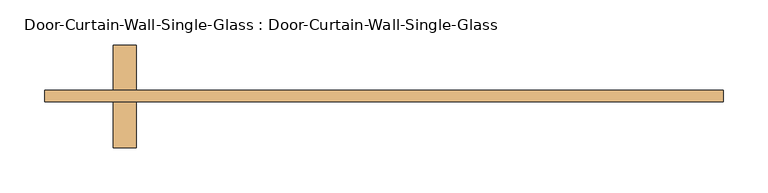
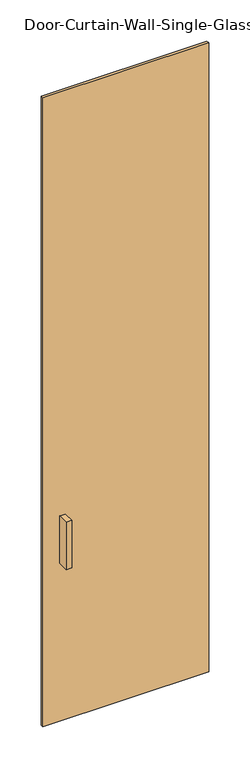
"""IFC4 building model written with IfcOpenShell, lengths in millimetres: door geometry, Door-Curtain-Wall-Single-Glass : Door-Curtain-Wall-Single-Glass."""

from ifc_helpers import new_model, si_unit, frame, origin, origin_with_axes, place, context, project, spatial, polyline, outline, extrude, source, transform, mapped, element, save


def door_curtain_wall_single_glass_door_curtain_wall_single_c8af28fb(model_context):
    return source(origin(), model_context, "Body", "SweptSolid", [
        extrude(outline(polyline([(378.0461866, -50.8), (-378.0461866, -50.8), (-378.0461866, -38.1), (378.0461866, -38.1), (378.0461866, -50.8)])), origin_with_axes(), (0.0, 0.0, 1.0), 3035.3),
        extrude(outline(polyline([(-276.4461866, 12.7), (-276.4461866, -38.1), (-301.8461866, -38.1), (-301.8461866, 12.7), (-276.4461866, 12.7)])), frame((0.0, 0.0, 762.0), z_axis=(0.0, 0.0, 1.0), x_axis=(1.0, 0.0, 0.0)), (0.0, 0.0, 1.0), 228.6),
        extrude(outline(polyline([(-301.8461866, -101.6), (-301.8461866, -50.8), (-276.4461866, -50.8), (-276.4461866, -101.6), (-301.8461866, -101.6)])), frame((0.0, 0.0, 762.0), z_axis=(0.0, 0.0, 1.0), x_axis=(1.0, 0.0, 0.0)), (0.0, 0.0, 1.0), 228.6),
    ])


if __name__ == "__main__":
    model = new_model("IFC4")
    model_context = context("Model", 3, world=origin())
    ifc_project = project(units=[si_unit("LENGTHUNIT", "METRE", prefix="MILLI")], contexts=[model_context])
    site = spatial("IfcSite", under=ifc_project)
    building = spatial("IfcBuilding", under=site)
    placement = place(None, origin())
    door_curtain_wall_single_glass_door_curtain_wall_single_shape = door_curtain_wall_single_glass_door_curtain_wall_single_c8af28fb(model_context)
    element("IfcDoor", 1, ObjectType="Door-Curtain-Wall-Single-Glass : Door-Curtain-Wall-Single-Glass", at=placement, inside=building, context=model_context, shape_type="MappedRepresentation", body=[
        mapped(door_curtain_wall_single_glass_door_curtain_wall_single_shape, transform((0.0, 0.0, 0.0), x_axis=(1.0, 0.0, 0.0), y_axis=(0.0, 1.0, 0.0), z_axis=(0.0, 0.0, 1.0))),
    ])
    save(model, "model.ifc")
